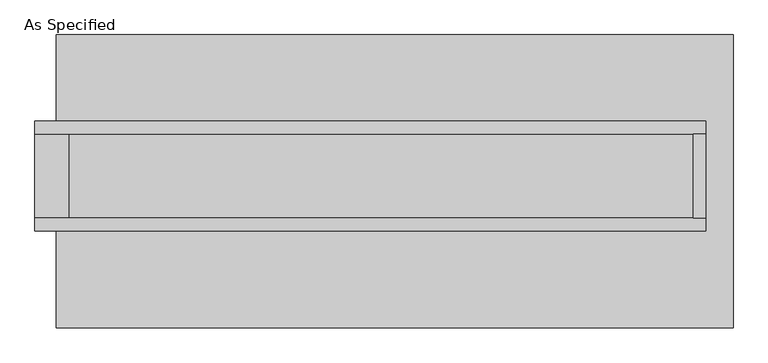
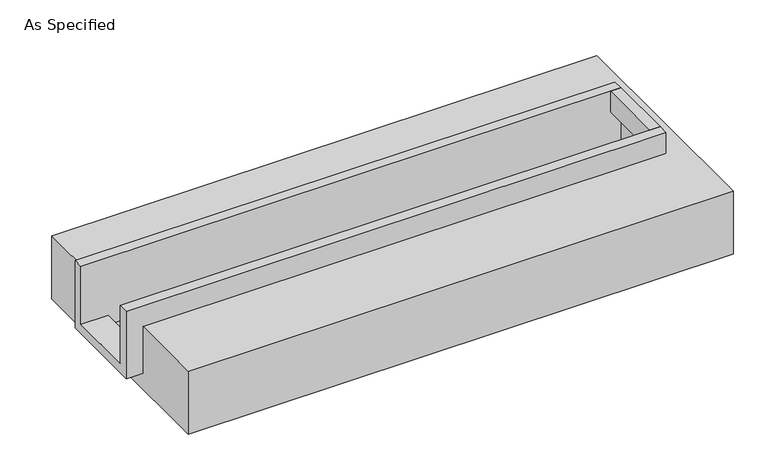
"""IFC4 building model written with IfcOpenShell, lengths in millimetres: proxy geometry, As Specified."""

from ifc_helpers import new_model, si_unit, frame, origin, place, context, project, spatial, polyline, outline, extrude, faceted_brep, source, transform, mapped, element, save


def as_specified_2e30b085(model_context):
    return source(origin(), model_context, "Body", "SolidModel", [
        extrude(outline(polyline([(1797.05, 285.75), (1873.25, 285.75), (1873.25, -222.25), (1797.05, -222.25), (1797.05, 285.75)])), frame((0.0, 0.0, -25.4), z_axis=(0.0, 0.0, 1.0), x_axis=(1.0, 0.0, 0.0)), (0.0, 0.0, 1.0), 165.1),
        faceted_brep([(1873.25, 285.75, 139.7), (1873.25, 285.75, -317.5), (1873.25, -222.25, -317.5), (1873.25, -222.25, 139.7), (1873.25, -298.45, 139.7), (1873.25, -298.45, -393.7), (1873.25, 361.95, -393.7), (1873.25, 361.95, 139.7), (-2165.35, 285.75, 139.7), (-2165.35, 361.95, 139.7), (-2165.35, 361.95, -393.7), (-2165.35, -298.45, -393.7), (-2165.35, -298.45, 139.7), (-2165.35, -222.25, 139.7), (-2165.35, -222.25, -317.5), (-2165.35, 285.75, -317.5), (-1962.15, 285.75, -393.7), (-1962.15, -222.25, -393.7), (1797.05, -222.25, -393.7), (1797.05, 285.75, -393.7), (1797.05, -222.25, -317.5), (-1962.15, -222.25, -317.5), (1797.05, 285.75, -317.5), (-1962.15, 285.75, -317.5)], [[[0, 1, 2, 3, 4, 5, 6, 7]], [[8, 9, 10, 11, 12, 13, 14, 15]], [[0, 7, 9, 8]], [[7, 6, 10, 9]], [[6, 5, 11, 10], [16, 17, 18, 19]], [[4, 3, 13, 12]], [[3, 2, 20, 18, 17, 21, 14, 13]], [[2, 1, 22, 20]], [[15, 14, 21, 23]], [[1, 0, 8, 15, 23, 16, 19, 22]], [[21, 17, 16, 23]], [[18, 20, 22, 19]], [[5, 4, 12, 11]]]),
        faceted_brep([(-2038.35, 882.65, -523.9742188), (2038.35, 882.65, -523.9742188), (2038.35, -882.65, -523.9742188), (-2038.35, -882.65, -523.9742188), (2038.35, 882.65, -25.4), (-2038.35, 882.65, -25.4), (-2038.35, 361.95, -25.4), (1873.25, 361.95, -25.4), (1873.25, -298.45, -25.4), (-2038.35, -298.45, -25.4), (-2038.35, -882.65, -25.4), (2038.35, -882.65, -25.4), (-2038.35, -298.45, -393.7), (-2038.35, 361.95, -393.7), (1873.25, 361.95, -393.7), (1873.25, -298.45, -393.7)], [[[0, 1, 2, 3]], [[4, 5, 6, 7, 8, 9, 10, 11]], [[1, 0, 5, 4]], [[5, 0, 3, 10, 9, 12, 13, 6]], [[1, 4, 11, 2]], [[3, 2, 11, 10]], [[14, 15, 8, 7]], [[13, 14, 7, 6]], [[15, 14, 13, 12]], [[15, 12, 9, 8]]]),
    ])


if __name__ == "__main__":
    model = new_model("IFC4")
    model_context = context("Model", 3, world=origin())
    ifc_project = project(units=[si_unit("LENGTHUNIT", "METRE", prefix="MILLI")], contexts=[model_context])
    site = spatial("IfcSite", under=ifc_project)
    building = spatial("IfcBuilding", under=site)
    placement = place(None, origin())
    as_specified_shape = as_specified_2e30b085(model_context)
    element("IfcBuildingElementProxy", 1, Name="As Specified", ObjectType="As Specified", at=placement, inside=building, context=model_context, shape_type="MappedRepresentation", body=[
        mapped(as_specified_shape, transform((0.0, 0.0, 0.0), x_axis=(1.0, 0.0, 0.0), y_axis=(0.0, 1.0, 0.0), z_axis=(0.0, 0.0, 1.0))),
    ])
    save(model, "model.ifc")
